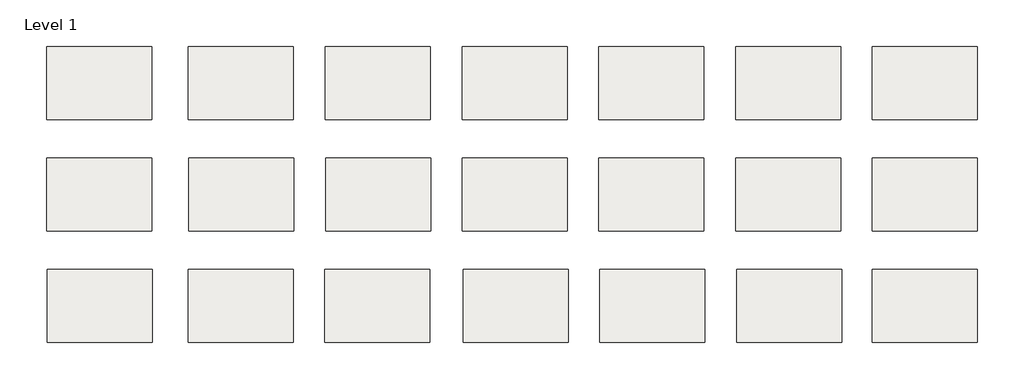
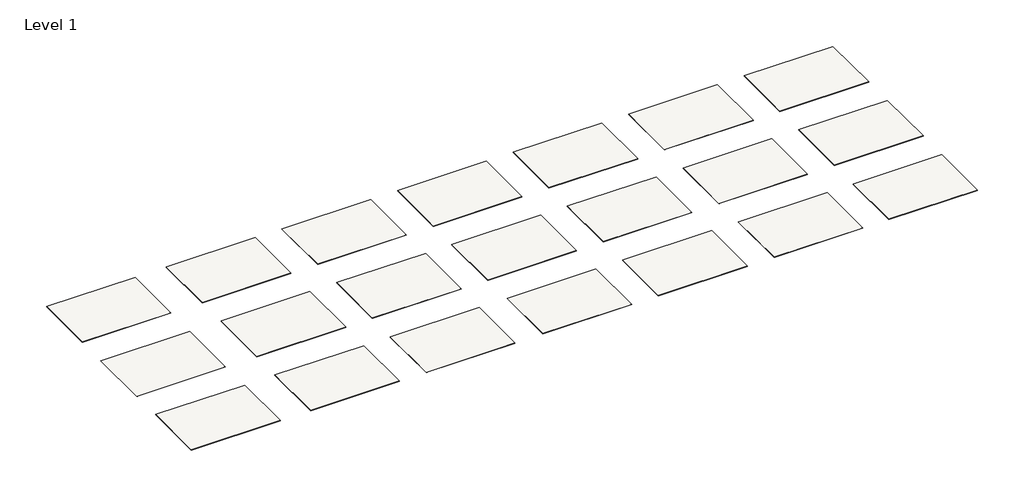
# One storey: 21 slabs.
"""IFC4 building model written with IfcOpenShell, lengths in millimetres."""

import ifcopenshell
import ifcopenshell.guid

model = None  # the IFC model being written
_history = None  # IfcOwnerHistory: only IFC2X3 demands one
_inside = {}  # id of a spatial element -> (the spatial element, [elements in it])
_under = {}  # id of a project, library or spatial element -> (it, [spatial elements below it])
_declared = {}  # id of a project -> (the project, [libraries it declares])
_typed = {}  # id of a type object -> (the type object, [elements of that type])
_made_of = {}  # id of a material, layer set ... -> (it, [elements and type objects made of it])


def new_model(schema):
    """Start an empty IFC model of exactly this schema.

    Asked for "IFC4X3", IfcOpenShell would pick the latest addendum, in which some entities
    have other attributes; the version numbers below select the first issue.
    IFC2X3 requires an IfcOwnerHistory on every rooted entity: one is made here for all.
    """
    global model, _history
    if schema == "IFC4X3":
        model = ifcopenshell.file(schema_version=(4, 3, 0, 0))
    else:
        model = ifcopenshell.file(schema=schema)
    _inside.clear()
    _under.clear()
    _declared.clear()
    _typed.clear()
    _made_of.clear()
    _history = None
    if model.schema == "IFC2X3":
        org = make("IfcOrganization", Name="unknown")
        user = make(
            "IfcPersonAndOrganization",
            ThePerson=make("IfcPerson", FamilyName="unknown"),
            TheOrganization=org,
        )
        app = make(
            "IfcApplication",
            ApplicationDeveloper=org,
            Version="unknown",
            ApplicationFullName="unknown",
            ApplicationIdentifier="unknown",
        )
        _history = make(
            "IfcOwnerHistory",
            OwningUser=user,
            OwningApplication=app,
            ChangeAction="ADDED",
            CreationDate=0,
        )
    return model


def make(cls, **values):
    """One entity of the class cls with the attributes given. An attribute that is None is left unset."""
    return model.create_entity(
        cls, **{name: value for name, value in values.items() if value is not None}
    )


def rooted(cls, **values):
    """An entity with a GlobalId (a new one), such as an element, a storey or a relation."""
    return make(cls, GlobalId=ifcopenshell.guid.new(), OwnerHistory=_history, **values)


def si_unit(unit_type, name, prefix=None):
    """IfcSIUnit, for example si_unit("LENGTHUNIT", "METRE", prefix="MILLI")."""
    return make("IfcSIUnit", UnitType=unit_type, Prefix=prefix, Name=name)


def assignment(units):
    """IfcUnitAssignment: the units of a project."""
    return None if units is None else make("IfcUnitAssignment", Units=units)


def point(xyz):
    """IfcCartesianPoint."""
    return None if xyz is None else make("IfcCartesianPoint", Coordinates=xyz)


def direction(xyz):
    """IfcDirection."""
    return None if xyz is None else make("IfcDirection", DirectionRatios=xyz)


def frame(location, z_axis=None, x_axis=None):
    """IfcAxis2Placement3D, a coordinate frame: its origin and axes. An axis left out is left unset."""
    return make(
        "IfcAxis2Placement3D",
        Location=point(location),
        Axis=direction(z_axis),
        RefDirection=direction(x_axis),
    )


def origin():
    """The frame at (0, 0, 0) with its axes left unset."""
    return frame((0.0, 0.0, 0.0))


def place(relative_to, where):
    """IfcLocalPlacement: puts the frame where relative to a parent placement (None: the world)."""
    return make(
        "IfcLocalPlacement", PlacementRelTo=relative_to, RelativePlacement=where
    )


def context(
    kind, dimensions, precision=None, world=None, true_north=None, identifier=None
):
    """IfcGeometricRepresentationContext, for example the 3D "Model" context."""
    return make(
        "IfcGeometricRepresentationContext",
        ContextIdentifier=identifier,
        ContextType=kind,
        CoordinateSpaceDimension=dimensions,
        Precision=precision,
        WorldCoordinateSystem=world,
        TrueNorth=true_north,
    )


def project(units=None, contexts=None):
    """IfcProject with its units and contexts."""
    return rooted(
        "IfcProject",
        Name="project",
        RepresentationContexts=contexts,
        UnitsInContext=assignment(units),
    )


def spatial(cls, under=None, at=None, **own):
    """A site, building, storey or space (cls), placed at a placement, below another one or the project."""
    s = rooted(cls, ObjectPlacement=at, **own)
    if under is not None:
        _under.setdefault(under.id(), (under, []))[1].append(s)
    return s


def polyline(points):
    """IfcPolyline through the points."""
    return make("IfcPolyline", Points=[point(p) for p in points])


def outline(outer, holes=None, kind="AREA"):
    """IfcArbitraryClosedProfileDef: a profile drawn as a closed curve; with holes, ...WithVoids."""
    if holes is None:
        return make("IfcArbitraryClosedProfileDef", ProfileType=kind, OuterCurve=outer)
    return make(
        "IfcArbitraryProfileDefWithVoids",
        ProfileType=kind,
        OuterCurve=outer,
        InnerCurves=holes,
    )


def extrude(swept, where, along, depth):
    """IfcExtrudedAreaSolid: the profile swept, set in the frame where, extruded along a direction by depth."""
    return make(
        "IfcExtrudedAreaSolid",
        SweptArea=swept,
        Position=where,
        ExtrudedDirection=direction(along),
        Depth=depth,
    )


def shape(context_of_items, identifier, shape_type, items):
    """IfcShapeRepresentation: the items that make up one representation, for example the "Body"."""
    return make(
        "IfcShapeRepresentation",
        ContextOfItems=context_of_items,
        RepresentationIdentifier=identifier,
        RepresentationType=shape_type,
        Items=items,
    )


def made_of(thing, what):
    """Note that an element or type object is made of a material, layer set ...; save() writes the relation."""
    if what is not None:
        _made_of.setdefault(what.id(), (what, []))[1].append(thing)
    return thing


def element(
    cls,
    number,
    at=None,
    inside=None,
    cuts=None,
    type_object=None,
    material=None,
    context=None,
    identifier="Body",
    shape_type=None,
    held_by="IfcProductDefinitionShape",
    body=None,
    shapes=None,
    **own,
):
    """One element of the class cls, such as IfcWall. Its Tag is "e" and its number.

    at: its placement. inside: the storey or other place that contains it. cuts: it is an
    opening in that element (IfcRelVoidsElement). A single representation is given by context,
    identifier, shape_type and body (its items); several are given by shapes. held_by: the class
    of the entity that holds the representations. save() writes the other relations.
    """
    e = rooted(cls, Tag="e%d" % number, ObjectPlacement=at, **own)
    if body is not None:
        shapes = [shape(context, identifier, shape_type, body)]
    if shapes is not None:
        e.Representation = make(held_by, Representations=shapes)
    if inside is not None:
        _inside.setdefault(inside.id(), (inside, []))[1].append(e)
    if cuts is not None:
        rooted(
            "IfcRelVoidsElement", RelatingBuildingElement=cuts, RelatedOpeningElement=e
        )
    if type_object is not None:
        _typed.setdefault(type_object.id(), (type_object, []))[1].append(e)
    return made_of(e, material)


def aggregate(whole, parts):
    """IfcRelAggregates: a whole, such as a stair, and the parts it consists of."""
    return rooted("IfcRelAggregates", RelatingObject=whole, RelatedObjects=parts)


def save(model, path):
    """Write the relations noted so far, then the file.

    IfcRelAggregates (storeys below a building ...), IfcRelContainedInSpatialStructure (elements
    in a storey), IfcRelDefinesByType, IfcRelAssociatesMaterial and IfcRelDeclares: one each for
    every whole, place, type object, material and project.
    """
    for whole, parts in _under.values():
        aggregate(whole, parts)
    for where, things in _inside.values():
        rooted(
            "IfcRelContainedInSpatialStructure",
            RelatedElements=things,
            RelatingStructure=where,
        )
    for kind, things in _typed.values():
        rooted("IfcRelDefinesByType", RelatedObjects=things, RelatingType=kind)
    for what, things in _made_of.values():
        rooted("IfcRelAssociatesMaterial", RelatedObjects=things, RelatingMaterial=what)
    for by, libraries in _declared.values():
        rooted("IfcRelDeclares", RelatingContext=by, RelatedDefinitions=libraries)
    model.write(path)


model = new_model("IFC4")

# Units and contexts
model_context = context("Model", 3, world=origin())
ifc_project = project(units=[si_unit("LENGTHUNIT", "METRE", prefix="MILLI")], contexts=[model_context])

# Site, building, storey
site = spatial("IfcSite", under=ifc_project)
building = spatial("IfcBuilding", under=site)
storey = spatial("IfcBuildingStorey", under=building, Name="Level 1", Elevation=0.0)

# Slabs
placement = place(None, origin())
element("IfcSlab", 1, at=placement, inside=storey, context=model_context, shape_type="SweptSolid", body=[
    extrude(outline(polyline([(-18158.3320413, -1809.4419024), (-18158.3320413, 390.5580976), (-14998.3320413, 390.5580976), (-14998.3320413, -1809.4419024), (-18158.3320413, -1809.4419024)])), frame((0.0, 0.0, -12.7), z_axis=(0.0, 0.0, 1.0), x_axis=(1.0, 0.0, 0.0)), (0.0, 0.0, 1.0), 12.7),
])
element("IfcSlab", 2, at=placement, inside=storey, context=model_context, shape_type="SweptSolid", body=[
    extrude(outline(polyline([(-13891.1320413, -1809.4419024), (-13891.1320413, 390.5580976), (-10731.1320413, 390.5580976), (-10731.1320413, -1809.4419024), (-13891.1320413, -1809.4419024)])), frame((0.0, 0.0, -12.7), z_axis=(0.0, 0.0, 1.0), x_axis=(1.0, 0.0, 0.0)), (0.0, 0.0, 1.0), 12.7),
])
element("IfcSlab", 3, at=placement, inside=storey, context=model_context, shape_type="SweptSolid", body=[
    extrude(outline(polyline([(-9776.3320413, -1809.4419024), (-9776.3320413, 390.5580976), (-6616.3320413, 390.5580976), (-6616.3320413, -1809.4419024), (-9776.3320413, -1809.4419024)])), frame((0.0, 0.0, -12.7), z_axis=(0.0, 0.0, 1.0), x_axis=(1.0, 0.0, 0.0)), (0.0, 0.0, 1.0), 12.7),
])
element("IfcSlab", 4, at=placement, inside=storey, context=model_context, shape_type="SweptSolid", body=[
    extrude(outline(polyline([(-5661.5320413, -1809.4419024), (-5661.5320413, 390.5580976), (-2501.5320413, 390.5580976), (-2501.5320413, -1809.4419024), (-5661.5320413, -1809.4419024)])), frame((0.0, 0.0, -12.7), z_axis=(0.0, 0.0, 1.0), x_axis=(1.0, 0.0, 0.0)), (0.0, 0.0, 1.0), 12.7),
])
element("IfcSlab", 5, at=placement, inside=storey, context=model_context, shape_type="SweptSolid", body=[
    extrude(outline(polyline([(-1546.7320413, -1809.4419024), (-1546.7320413, 390.5580976), (1613.2679587, 390.5580976), (1613.2679587, -1809.4419024), (-1546.7320413, -1809.4419024)])), frame((0.0, 0.0, -19.05), z_axis=(0.0, 0.0, 1.0), x_axis=(1.0, 0.0, 0.0)), (0.0, 0.0, 1.0), 19.05),
])
element("IfcSlab", 6, at=placement, inside=storey, context=model_context, shape_type="SweptSolid", body=[
    extrude(outline(polyline([(2568.0679587, -1809.4419024), (2568.0679587, 390.5580976), (5728.0679587, 390.5580976), (5728.0679587, -1809.4419024), (2568.0679587, -1809.4419024)])), frame((0.0, 0.0, -12.7), z_axis=(0.0, 0.0, 1.0), x_axis=(1.0, 0.0, 0.0)), (0.0, 0.0, 1.0), 12.7),
])
element("IfcSlab", 7, at=placement, inside=storey, context=model_context, shape_type="SweptSolid", body=[
    extrude(outline(polyline([(-18158.3320413, -5166.9312619), (-18158.3320413, -2966.9312619), (-14998.3320413, -2966.9312619), (-14998.3320413, -5166.9312619), (-18158.3320413, -5166.9312619)])), frame((0.0, 0.0, -12.7), z_axis=(0.0, 0.0, 1.0), x_axis=(1.0, 0.0, 0.0)), (0.0, 0.0, 1.0), 12.7),
])
element("IfcSlab", 8, at=placement, inside=storey, context=model_context, shape_type="SweptSolid", body=[
    extrude(outline(polyline([(-13876.4007457, -5166.9312619), (-13876.4007457, -2966.9312619), (-10716.4007457, -2966.9312619), (-10716.4007457, -5166.9312619), (-13876.4007457, -5166.9312619)])), frame((0.0, 0.0, -12.7), z_axis=(0.0, 0.0, 1.0), x_axis=(1.0, 0.0, 0.0)), (0.0, 0.0, 1.0), 12.7),
])
element("IfcSlab", 9, at=placement, inside=storey, context=model_context, shape_type="SweptSolid", body=[
    extrude(outline(polyline([(-9761.6007457, -5166.9312619), (-9761.6007457, -2966.9312619), (-6601.6007457, -2966.9312619), (-6601.6007457, -5166.9312619), (-9761.6007457, -5166.9312619)])), frame((0.0, 0.0, -12.7), z_axis=(0.0, 0.0, 1.0), x_axis=(1.0, 0.0, 0.0)), (0.0, 0.0, 1.0), 12.7),
])
element("IfcSlab", 10, at=placement, inside=storey, context=model_context, shape_type="SweptSolid", body=[
    extrude(outline(polyline([(-5661.5320413, -5162.2419024), (-5661.5320413, -2962.2419024), (-2501.5320413, -2962.2419024), (-2501.5320413, -5162.2419024), (-5661.5320413, -5162.2419024)])), frame((0.0, 0.0, -12.7), z_axis=(0.0, 0.0, 1.0), x_axis=(1.0, 0.0, 0.0)), (0.0, 0.0, 1.0), 12.7),
])
element("IfcSlab", 11, at=placement, inside=storey, context=model_context, shape_type="SweptSolid", body=[
    extrude(outline(polyline([(-1546.7320413, -5162.2419024), (-1546.7320413, -2962.2419024), (1613.2679587, -2962.2419024), (1613.2679587, -5162.2419024), (-1546.7320413, -5162.2419024)])), frame((0.0, 0.0, -12.7), z_axis=(0.0, 0.0, 1.0), x_axis=(1.0, 0.0, 0.0)), (0.0, 0.0, 1.0), 12.7),
])
element("IfcSlab", 12, at=placement, inside=storey, context=model_context, shape_type="SweptSolid", body=[
    extrude(outline(polyline([(2568.0679587, -5162.2419024), (2568.0679587, -2962.2419024), (5728.0679587, -2962.2419024), (5728.0679587, -5162.2419024), (2568.0679587, -5162.2419024)])), frame((0.0, 0.0, -12.7), z_axis=(0.0, 0.0, 1.0), x_axis=(1.0, 0.0, 0.0)), (0.0, 0.0, 1.0), 12.7),
])
element("IfcSlab", 13, at=placement, inside=storey, context=model_context, shape_type="SweptSolid", body=[
    extrude(outline(polyline([(6682.8679587, -5162.2419024), (6682.8679587, -2962.2419024), (9842.8679587, -2962.2419024), (9842.8679587, -5162.2419024), (6682.8679587, -5162.2419024)])), frame((0.0, 0.0, -12.7), z_axis=(0.0, 0.0, 1.0), x_axis=(1.0, 0.0, 0.0)), (0.0, 0.0, 1.0), 12.7),
])
element("IfcSlab", 14, at=placement, inside=storey, context=model_context, shape_type="SweptSolid", body=[
    extrude(outline(polyline([(-13900.4905088, -8518.2092739), (-13900.4905088, -6318.2092739), (-10740.4905088, -6318.2092739), (-10740.4905088, -8518.2092739), (-13900.4905088, -8518.2092739)])), frame((0.0, 0.0, -12.7), z_axis=(0.0, 0.0, 1.0), x_axis=(1.0, 0.0, 0.0)), (0.0, 0.0, 1.0), 12.7),
])
element("IfcSlab", 15, at=placement, inside=storey, context=model_context, shape_type="SweptSolid", body=[
    extrude(outline(polyline([(-9785.6905088, -8518.2092739), (-9785.6905088, -6318.2092739), (-6625.6905088, -6318.2092739), (-6625.6905088, -8518.2092739), (-9785.6905088, -8518.2092739)])), frame((0.0, 0.0, -12.7), z_axis=(0.0, 0.0, 1.0), x_axis=(1.0, 0.0, 0.0)), (0.0, 0.0, 1.0), 12.7),
])
element("IfcSlab", 16, at=placement, inside=storey, context=model_context, shape_type="SweptSolid", body=[
    extrude(outline(polyline([(-5629.8180504, -8519.7312619), (-5629.8180504, -6319.7312619), (-2469.8180504, -6319.7312619), (-2469.8180504, -8519.7312619), (-5629.8180504, -8519.7312619)])), frame((0.0, 0.0, -12.7), z_axis=(0.0, 0.0, 1.0), x_axis=(1.0, 0.0, 0.0)), (0.0, 0.0, 1.0), 12.7),
])
element("IfcSlab", 17, at=placement, inside=storey, context=model_context, shape_type="SweptSolid", body=[
    extrude(outline(polyline([(-1515.0180504, -8519.7312619), (-1515.0180504, -6319.7312619), (1644.9819496, -6319.7312619), (1644.9819496, -8519.7312619), (-1515.0180504, -8519.7312619)])), frame((0.0, 0.0, -12.7), z_axis=(0.0, 0.0, 1.0), x_axis=(1.0, 0.0, 0.0)), (0.0, 0.0, 1.0), 12.7),
])
element("IfcSlab", 18, at=placement, inside=storey, context=model_context, shape_type="SweptSolid", body=[
    extrude(outline(polyline([(2599.7819496, -8519.7312619), (2599.7819496, -6319.7312619), (5759.7819496, -6319.7312619), (5759.7819496, -8519.7312619), (2599.7819496, -8519.7312619)])), frame((0.0, 0.0, -12.7), z_axis=(0.0, 0.0, 1.0), x_axis=(1.0, 0.0, 0.0)), (0.0, 0.0, 1.0), 12.7),
])
element("IfcSlab", 19, at=placement, inside=storey, context=model_context, shape_type="SweptSolid", body=[
    extrude(outline(polyline([(6682.8679587, -8519.7312619), (6682.8679587, -6319.7312619), (9842.8679587, -6319.7312619), (9842.8679587, -8519.7312619), (6682.8679587, -8519.7312619)])), frame((0.0, 0.0, -19.05), z_axis=(0.0, 0.0, 1.0), x_axis=(1.0, 0.0, 0.0)), (0.0, 0.0, 1.0), 19.05),
])
element("IfcSlab", 20, at=placement, inside=storey, context=model_context, shape_type="SweptSolid", body=[
    extrude(outline(polyline([(6682.8679587, -1809.4419024), (6682.8679587, 390.5580976), (9842.8679587, 390.5580976), (9842.8679587, -1809.4419024), (6682.8679587, -1809.4419024)])), frame((0.0, 0.0, -12.7), z_axis=(0.0, 0.0, 1.0), x_axis=(1.0, 0.0, 0.0)), (0.0, 0.0, 1.0), 12.7),
])
element("IfcSlab", 21, at=placement, inside=storey, context=model_context, shape_type="SweptSolid", body=[
    extrude(outline(polyline([(-18142.2905088, -8518.2092739), (-18142.2905088, -6318.2092739), (-14982.2905088, -6318.2092739), (-14982.2905088, -8518.2092739), (-18142.2905088, -8518.2092739)])), frame((0.0, 0.0, -12.7), z_axis=(0.0, 0.0, 1.0), x_axis=(1.0, 0.0, 0.0)), (0.0, 0.0, 1.0), 12.7),
])

save(model, "model.ifc")
